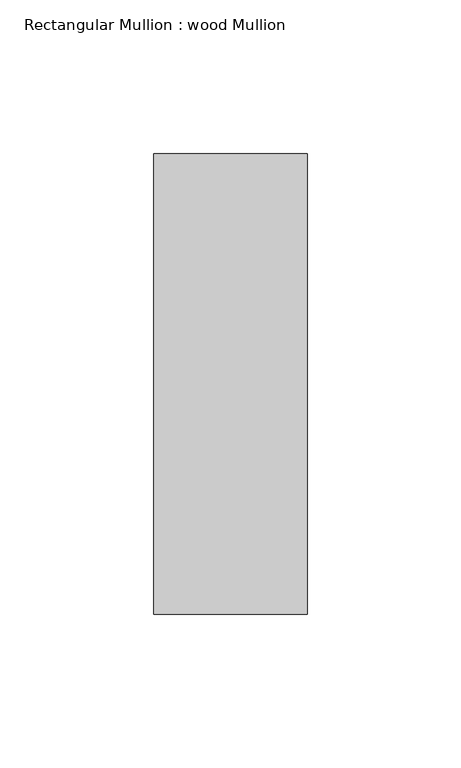
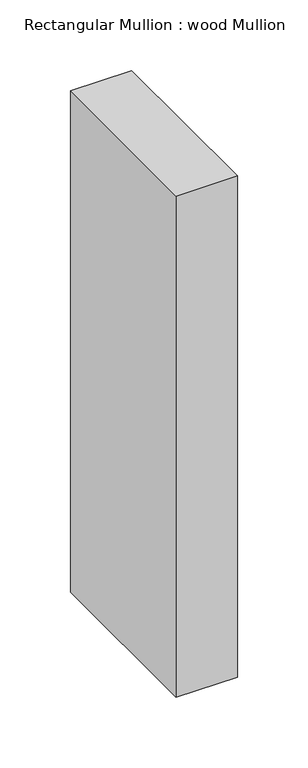
"""IFC4 building model written with IfcOpenShell, lengths in millimetres: member geometry, Rectangular Mullion : wood Mullion."""

from ifc_helpers import new_model, si_unit, frame, origin, place, context, project, spatial, polyline, outline, extrude, source, transform, mapped, element, save


def rectangular_mullion_wood_mullion_6d9e7067(model_context):
    return source(origin(), model_context, "Body", "SweptSolid", [
        extrude(outline(polyline([(0.0, 75.0), (0.0, -75.0), (-50.0, -75.0), (-50.0, 75.0), (0.0, 75.0)])), frame((0.0, 0.0, -433.4774821), z_axis=(0.0, 0.0, 1.0), x_axis=(1.0, 0.0, 0.0)), (0.0, 0.0, 1.0), 433.4774821),
    ])


if __name__ == "__main__":
    model = new_model("IFC4")
    model_context = context("Model", 3, world=origin())
    ifc_project = project(units=[si_unit("LENGTHUNIT", "METRE", prefix="MILLI")], contexts=[model_context])
    site = spatial("IfcSite", under=ifc_project)
    building = spatial("IfcBuilding", under=site)
    placement = place(None, origin())
    rectangular_mullion_wood_mullion_shape = rectangular_mullion_wood_mullion_6d9e7067(model_context)
    element("IfcMember", 1, ObjectType="Rectangular Mullion : wood Mullion", at=placement, inside=building, context=model_context, shape_type="MappedRepresentation", body=[
        mapped(rectangular_mullion_wood_mullion_shape, transform((0.0, 0.0, 0.0), x_axis=(1.0, 0.0, 0.0), y_axis=(0.0, 1.0, 0.0), z_axis=(0.0, 0.0, 1.0))),
    ])
    save(model, "model.ifc")
